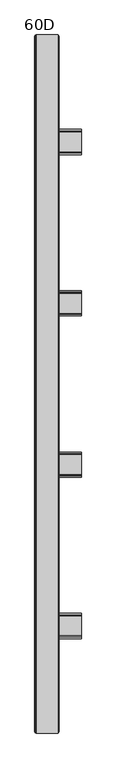
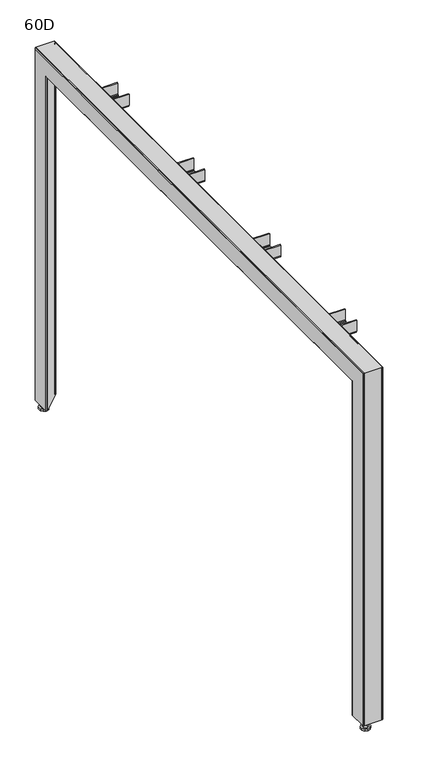
"""IFC4 building model written with IfcOpenShell, lengths in millimetres: furniture geometry, 60D."""

from ifc_helpers import new_model, si_unit, frame, origin, origin_with_axes, place, context, project, spatial, polyline, circle_curve, ellipse_curve, outline, extrude, faceted_brep, source, transform, mapped, element, save
from ifc_brep_helpers import plane_surface, revolved_surface, advanced_brep


def furniture_60d_963b81c6(model_context):
    return source(origin(), model_context, "Body", "SolidModel", [
        faceted_brep([(101.0542779, -497.4992625, 972.2678661), (101.0542779, -497.4992625, 1002.5178365), (101.0542779, -500.4992611, 1002.5178365), (101.0542779, -500.4992611, 972.2678661), (101.0542779, -501.3779502, 970.1464839), (101.0542779, -503.4992596, 969.2678312), (101.0542779, -546.4992512, 969.2678312), (101.0542779, -548.6205607, 970.1464839), (101.0542779, -549.4992498, 972.2678661), (101.0542779, -549.4992498, 1002.5178365), (101.0542779, -552.4992484, 1002.5178365), (101.0542779, -552.4992484, 972.2678661), (101.0542779, -550.7419065, 968.0251745), (101.0542779, -546.4992512, 966.2678689), (101.0542779, -503.4992596, 966.2678689), (101.0542779, -499.2566044, 968.0251745), (2.7542748, -497.4992625, 1010.2678722), (2.7542748, -497.4992625, 972.2678661), (2.7542748, -499.2566044, 968.0251745), (2.7542748, -503.4992596, 966.2678689), (2.7542748, -546.4992512, 966.2678689), (2.7542748, -550.7419065, 968.0251745), (2.7542748, -552.4992484, 972.2678661), (2.7542748, -552.4992484, 1010.2678722), (2.7542748, -549.4992498, 1010.2678722), (2.7542748, -549.4992498, 972.2678661), (2.7542748, -548.6205607, 970.1464839), (2.7542748, -546.4992512, 969.2678312), (2.7542748, -503.4992596, 969.2678312), (2.7542748, -501.3779502, 970.1464839), (2.7542748, -500.4992611, 972.2678661), (2.7542748, -500.4992611, 1010.2678722), (51.5542743, -497.4992625, 1010.2678722), (51.5542743, -497.4992625, 1002.5178365), (51.5542743, -552.4992484, 1002.5178365), (51.5542743, -552.4992484, 1010.2678722), (51.5542743, -549.4992498, 1010.2678722), (51.5542743, -549.4992498, 1002.5178365), (51.5542743, -500.4992611, 1002.5178365), (51.5542743, -500.4992611, 1010.2678722)], [[[0, 1, 2, 3, 4, 5, 6, 7, 8, 9, 10, 11, 12, 13, 14, 15]], [[16, 17, 18, 19, 20, 21, 22, 23, 24, 25, 26, 27, 28, 29, 30, 31]], [[16, 32, 33, 1, 0, 17]], [[15, 18, 17, 0]], [[14, 19, 18, 15]], [[13, 20, 19, 14]], [[12, 21, 20, 13]], [[11, 22, 21, 12]], [[22, 11, 10, 34, 35, 23]], [[23, 35, 36, 24]], [[24, 36, 37, 9, 8, 25]], [[7, 26, 25, 8]], [[6, 27, 26, 7]], [[5, 28, 27, 6]], [[4, 29, 28, 5]], [[3, 30, 29, 4]], [[30, 3, 2, 38, 39, 31]], [[31, 39, 32, 16]], [[34, 10, 9, 37]], [[38, 2, 1, 33]], [[33, 32, 39, 38]], [[37, 36, 35, 34]]]),
        faceted_brep([(101.0542779, 497.3092625, 972.2678661), (101.0542779, 499.0666044, 968.0251745), (101.0542779, 503.3092596, 966.2678689), (101.0542779, 546.3092512, 966.2678689), (101.0542779, 550.5519065, 968.0251745), (101.0542779, 552.3092484, 972.2678661), (101.0542779, 552.3092484, 1002.5178365), (101.0542779, 549.3092498, 1002.5178365), (101.0542779, 549.3092498, 972.2678661), (101.0542779, 548.4305607, 970.1464839), (101.0542779, 546.3092512, 969.2678312), (101.0542779, 503.3092596, 969.2678312), (101.0542779, 501.1879502, 970.1464839), (101.0542779, 500.3092611, 972.2678661), (101.0542779, 500.3092611, 1002.5178365), (101.0542779, 497.3092625, 1002.5178365), (2.7542748, 497.3092625, 1010.2678722), (2.7542748, 500.3092611, 1010.2678722), (2.7542748, 500.3092611, 972.2678661), (2.7542748, 501.1879502, 970.1464839), (2.7542748, 503.3092596, 969.2678312), (2.7542748, 546.3092512, 969.2678312), (2.7542748, 548.4305607, 970.1464839), (2.7542748, 549.3092498, 972.2678661), (2.7542748, 549.3092498, 1010.2678722), (2.7542748, 552.3092484, 1010.2678722), (2.7542748, 552.3092484, 972.2678661), (2.7542748, 550.5519065, 968.0251745), (2.7542748, 546.3092512, 966.2678689), (2.7542748, 503.3092596, 966.2678689), (2.7542748, 499.0666044, 968.0251745), (2.7542748, 497.3092625, 972.2678661), (51.5542743, 497.3092625, 1002.5178365), (51.5542743, 497.3092625, 1010.2678722), (51.5542743, 552.3092484, 1010.2678722), (51.5542743, 552.3092484, 1002.5178365), (51.5542743, 549.3092498, 1010.2678722), (51.5542743, 549.3092498, 1002.5178365), (51.5542743, 500.3092611, 1010.2678722), (51.5542743, 500.3092611, 1002.5178365)], [[[0, 1, 2, 3, 4, 5, 6, 7, 8, 9, 10, 11, 12, 13, 14, 15]], [[16, 17, 18, 19, 20, 21, 22, 23, 24, 25, 26, 27, 28, 29, 30, 31]], [[16, 31, 0, 15, 32, 33]], [[1, 0, 31, 30]], [[2, 1, 30, 29]], [[3, 2, 29, 28]], [[4, 3, 28, 27]], [[5, 4, 27, 26]], [[26, 25, 34, 35, 6, 5]], [[25, 24, 36, 34]], [[24, 23, 8, 7, 37, 36]], [[9, 8, 23, 22]], [[10, 9, 22, 21]], [[11, 10, 21, 20]], [[12, 11, 20, 19]], [[13, 12, 19, 18]], [[18, 17, 38, 39, 14, 13]], [[17, 16, 33, 38]], [[35, 37, 7, 6]], [[39, 32, 15, 14]], [[37, 35, 34, 36]], [[32, 39, 38, 33]]]),
        faceted_brep([(101.0542779, -147.6850235, 972.2678661), (101.0542779, -147.6850235, 1002.5178365), (101.0542779, -150.6850221, 1002.5178365), (101.0542779, -150.6850221, 972.2678661), (101.0542779, -151.5637112, 970.1464839), (101.0542779, -153.6850206, 969.2678312), (101.0542779, -196.6850122, 969.2678312), (101.0542779, -198.8063217, 970.1464839), (101.0542779, -199.6850108, 972.2678661), (101.0542779, -199.6850108, 1002.5178365), (101.0542779, -202.6850094, 1002.5178365), (101.0542779, -202.6850094, 972.2678661), (101.0542779, -200.9276675, 968.0251745), (101.0542779, -196.6850122, 966.2678689), (101.0542779, -153.6850206, 966.2678689), (101.0542779, -149.4423654, 968.0251745), (2.7542748, -147.6850235, 1010.2678722), (2.7542748, -147.6850235, 972.2678661), (2.7542748, -149.4423654, 968.0251745), (2.7542748, -153.6850206, 966.2678689), (2.7542748, -196.6850122, 966.2678689), (2.7542748, -200.9276675, 968.0251745), (2.7542748, -202.6850094, 972.2678661), (2.7542748, -202.6850094, 1010.2678722), (2.7542748, -199.6850108, 1010.2678722), (2.7542748, -199.6850108, 972.2678661), (2.7542748, -198.8063217, 970.1464839), (2.7542748, -196.6850122, 969.2678312), (2.7542748, -153.6850206, 969.2678312), (2.7542748, -151.5637112, 970.1464839), (2.7542748, -150.6850221, 972.2678661), (2.7542748, -150.6850221, 1010.2678722), (51.5542743, -147.6850235, 1010.2678722), (51.5542743, -147.6850235, 1002.5178365), (51.5542743, -202.6850094, 1002.5178365), (51.5542743, -202.6850094, 1010.2678722), (51.5542743, -199.6850108, 1010.2678722), (51.5542743, -199.6850108, 1002.5178365), (51.5542743, -150.6850221, 1002.5178365), (51.5542743, -150.6850221, 1010.2678722)], [[[0, 1, 2, 3, 4, 5, 6, 7, 8, 9, 10, 11, 12, 13, 14, 15]], [[16, 17, 18, 19, 20, 21, 22, 23, 24, 25, 26, 27, 28, 29, 30, 31]], [[16, 32, 33, 1, 0, 17]], [[15, 18, 17, 0]], [[14, 19, 18, 15]], [[13, 20, 19, 14]], [[12, 21, 20, 13]], [[11, 22, 21, 12]], [[22, 11, 10, 34, 35, 23]], [[23, 35, 36, 24]], [[24, 36, 37, 9, 8, 25]], [[7, 26, 25, 8]], [[6, 27, 26, 7]], [[5, 28, 27, 6]], [[4, 29, 28, 5]], [[3, 30, 29, 4]], [[30, 3, 2, 38, 39, 31]], [[31, 39, 32, 16]], [[34, 10, 9, 37]], [[38, 2, 1, 33]], [[33, 32, 39, 38]], [[37, 36, 35, 34]]]),
        faceted_brep([(101.0542779, 147.4950235, 972.2678661), (101.0542779, 149.2523654, 968.0251745), (101.0542779, 153.4950206, 966.2678689), (101.0542779, 196.4950122, 966.2678689), (101.0542779, 200.7376675, 968.0251745), (101.0542779, 202.4950094, 972.2678661), (101.0542779, 202.4950094, 1002.5178365), (101.0542779, 199.4950108, 1002.5178365), (101.0542779, 199.4950108, 972.2678661), (101.0542779, 198.6163217, 970.1464839), (101.0542779, 196.4950122, 969.2678312), (101.0542779, 153.4950206, 969.2678312), (101.0542779, 151.3737112, 970.1464839), (101.0542779, 150.4950221, 972.2678661), (101.0542779, 150.4950221, 1002.5178365), (101.0542779, 147.4950235, 1002.5178365), (2.7542748, 147.4950235, 1010.2678722), (2.7542748, 150.4950221, 1010.2678722), (2.7542748, 150.4950221, 972.2678661), (2.7542748, 151.3737112, 970.1464839), (2.7542748, 153.4950206, 969.2678312), (2.7542748, 196.4950122, 969.2678312), (2.7542748, 198.6163217, 970.1464839), (2.7542748, 199.4950108, 972.2678661), (2.7542748, 199.4950108, 1010.2678722), (2.7542748, 202.4950094, 1010.2678722), (2.7542748, 202.4950094, 972.2678661), (2.7542748, 200.7376675, 968.0251745), (2.7542748, 196.4950122, 966.2678689), (2.7542748, 153.4950206, 966.2678689), (2.7542748, 149.2523654, 968.0251745), (2.7542748, 147.4950235, 972.2678661), (51.5542743, 147.4950235, 1002.5178365), (51.5542743, 147.4950235, 1010.2678722), (51.5542743, 202.4950094, 1010.2678722), (51.5542743, 202.4950094, 1002.5178365), (51.5542743, 199.4950108, 1010.2678722), (51.5542743, 199.4950108, 1002.5178365), (51.5542743, 150.4950221, 1010.2678722), (51.5542743, 150.4950221, 1002.5178365)], [[[0, 1, 2, 3, 4, 5, 6, 7, 8, 9, 10, 11, 12, 13, 14, 15]], [[16, 17, 18, 19, 20, 21, 22, 23, 24, 25, 26, 27, 28, 29, 30, 31]], [[16, 31, 0, 15, 32, 33]], [[1, 0, 31, 30]], [[2, 1, 30, 29]], [[3, 2, 29, 28]], [[4, 3, 28, 27]], [[5, 4, 27, 26]], [[26, 25, 34, 35, 6, 5]], [[25, 24, 36, 34]], [[24, 23, 8, 7, 37, 36]], [[9, 8, 23, 22]], [[10, 9, 22, 21]], [[11, 10, 21, 20]], [[12, 11, 20, 19]], [[13, 12, 19, 18]], [[18, 17, 38, 39, 14, 13]], [[17, 16, 33, 38]], [[35, 37, 7, 6]], [[39, 32, 15, 14]], [[37, 35, 34, 36]], [[32, 39, 38, 33]]]),
        extrude(outline(polyline([(14.8468925, -746.2721484), (11.4098541, -744.2877764), (11.4098541, -740.3190234), (14.8468925, -738.3346514), (18.2839309, -740.3190234), (18.2839309, -744.2877764), (14.8468925, -746.2721484)])), frame((0.0, 0.0, 10.9000001), z_axis=(0.0, 0.0, 1.0), x_axis=(1.0, 0.0, 0.0)), (0.0, 0.0, 1.0), 62.0000015),
        extrude(outline(polyline([(14.8468925, -750.2433994), (7.9706509, -746.2733974), (7.9706509, -738.3333979), (14.8468925, -734.3634004), (21.723134, -738.3333979), (21.723134, -746.2733974), (14.8468925, -750.2433994)])), frame((0.0, 0.0, 5.7200003), z_axis=(0.0, 0.0, 1.0), x_axis=(1.0, 0.0, 0.0)), (0.0, 0.0, 1.0), 5.1799998),
        extrude(outline(polyline([(7.6072397, -752.2679261), (3.1328886, -746.1095084), (3.1328886, -738.4972868), (7.6072397, -732.3388737), (14.8468925, -729.986569), (22.0865453, -732.3388737), (26.5608963, -738.4972868), (26.5608963, -746.1095084), (22.0865453, -752.2679261), (14.8468925, -754.620233), (7.6072397, -752.2679261)])), origin_with_axes(), (0.0, 0.0, 1.0), 5.7200003),
        extrude(outline(polyline([(14.8468925, 746.0821484), (18.2839309, 744.0977764), (18.2839309, 740.1290234), (14.8468925, 738.1446514), (11.4098541, 740.1290234), (11.4098541, 744.0977764), (14.8468925, 746.0821484)])), frame((0.0, 0.0, 10.9000001), z_axis=(0.0, 0.0, 1.0), x_axis=(1.0, 0.0, 0.0)), (0.0, 0.0, 1.0), 62.0000015),
        extrude(outline(polyline([(14.8468925, 750.0533994), (21.723134, 746.0833974), (21.723134, 738.1433979), (14.8468925, 734.1734004), (7.9706509, 738.1433979), (7.9706509, 746.0833974), (14.8468925, 750.0533994)])), frame((0.0, 0.0, 5.7200003), z_axis=(0.0, 0.0, 1.0), x_axis=(1.0, 0.0, 0.0)), (0.0, 0.0, 1.0), 5.1799998),
        extrude(outline(polyline([(7.6072397, 752.0779261), (14.8468925, 754.430233), (22.0865453, 752.0779261), (26.5608963, 745.9195084), (26.5608963, 738.3072868), (22.0865453, 732.1488737), (14.8468925, 729.796569), (7.6072397, 732.1488737), (3.1328886, 738.3072868), (3.1328886, 745.9195084), (7.6072397, 752.0779261)])), origin_with_axes(), (0.0, 0.0, 1.0), 5.7200003),
        advanced_brep(
        [(52.2091904, 752.2158337, 20.2920801), (4.6091883, 704.6158321, 20.2920801), (2.7, 703.825001, 20.2920801), (0.7908116, 704.6158321, 20.2920801), (0.0, 706.5250179, 20.2920801), (0.0, 754.1250195, 20.2920801), (0.7908116, 756.0342052, 20.2920801), (2.7, 756.825, 20.2920801), (50.3000001, 756.825, 20.2920801), (52.2091904, 756.0342052, 20.2920801), (52.9999988, 754.1250195, 20.2920801), (3.7071069, 706.5321033, 20.2920801), (50.2928863, 753.1179167, 20.2920801), (49.5857835, 754.8250131, 20.2920801), (3.0000115, 754.8250131, 20.2920801), (1.9999999, 753.8250014, 20.2920801), (1.9999999, 707.2392098, 20.2920801), (52.2091904, 752.2158337, 1007.6586564), (4.6091883, 704.6158321, 960.0586549), (2.7, 703.825001, 959.2678238), (0.7908116, 704.6158321, 960.0586549), (0.0, 706.5250179, 961.9678407), (0.0, -706.7150179, 961.9678407), (0.0, -706.7150179, 20.2920801), (0.0, -754.3150195, 20.2920801), (0.0, -754.3150195, 1009.5678422), (0.0, 754.1250195, 1009.5678422), (0.7908116, 756.0342052, 1011.477028), (2.7, 756.825, 1012.2678228), (50.3000001, 756.825, 1012.2678228), (52.2091904, 756.0342052, 1011.477028), (52.9999988, 754.1250195, 1009.5678422), (3.7071069, 706.5321033, 961.974926), (50.2928863, 753.1179167, 1008.5607395), (49.5857835, 754.8250131, 1010.2678358), (3.0000115, 754.8250131, 1010.2678358), (1.9999999, 753.8250014, 1009.2678242), (1.9999999, -754.0150014, 1009.2678242), (1.9999999, -754.0150014, 20.2920801), (1.9999999, -707.4292098, 20.2920801), (1.9999999, -707.4292098, 962.6820325), (1.9999999, 707.2392098, 962.6820325), (52.2091904, -752.4058337, 1007.6586564), (4.6091883, -704.8058321, 960.0586549), (2.7, -704.015001, 959.2678238), (0.7908116, -704.8058321, 960.0586549), (0.7908116, -756.2242052, 1011.477028), (2.7, -757.015, 1012.2678228), (50.3000001, -757.015, 1012.2678228), (52.2091904, -756.2242052, 1011.477028), (52.9999988, -754.3150195, 1009.5678422), (3.7071069, -706.7221033, 961.974926), (50.2928863, -753.3079167, 1008.5607395), (49.5857835, -755.0150131, 1010.2678358), (3.0000115, -755.0150131, 1010.2678358), (52.2091904, -752.4058337, 20.2920801), (52.9999988, -754.3150195, 20.2920801), (52.2091904, -756.2242052, 20.2920801), (50.3000001, -757.015, 20.2920801), (2.7, -757.015, 20.2920801), (0.7908116, -756.2242052, 20.2920801), (0.7908116, -704.8058321, 20.2920801), (2.7, -704.015001, 20.2920801), (4.6091883, -704.8058321, 20.2920801), (3.7071069, -706.7221033, 20.2920801), (3.0000115, -755.0150131, 20.2920801), (49.5857835, -755.0150131, 20.2920801), (50.2928863, -753.3079167, 20.2920801)],
        [
            (0, 1),
            (1, 2),
            (2, 3),
            (3, 4),
            (4, 5),
            (5, 6),
            (6, 7),
            (7, 8),
            (8, 9),
            (9, 10),
            (10, 0),
            (11, 12),
            (12, 13, circle_curve(frame((49.5857835, 753.825019, 20.2920801), z_axis=(0.0, 0.0, 1.0), x_axis=(0.0, -1.0, 0.0)), 0.999994)),
            (13, 14),
            (14, 15, circle_curve(frame((3.0000115, 753.8250014, 20.2920801), z_axis=(0.0, 0.0, 1.0), x_axis=(0.0, -1.0, 0.0)), 1.0000116)),
            (15, 16),
            (16, 11, circle_curve(frame((2.9999998, 707.2392098, 20.2920801), z_axis=(0.0, 0.0, 1.0), x_axis=(0.0, -1.0, 0.0)), 1.0)),
            (0, 17),
            (17, 18),
            (18, 1),
            (18, 19),
            (19, 2),
            (19, 20),
            (20, 3),
            (20, 21),
            (21, 4),
            (21, 22),
            (22, 23),
            (23, 24),
            (24, 25),
            (25, 26),
            (26, 5),
            (26, 27),
            (27, 6),
            (27, 28),
            (28, 7),
            (28, 29),
            (29, 8),
            (29, 30),
            (30, 9),
            (30, 31),
            (31, 10),
            (31, 17),
            (11, 32),
            (32, 33),
            (33, 12),
            (33, 34, ellipse_curve(frame((49.5857835, 753.825019, 1009.2678418), z_axis=(0.0, -0.7071067811865475, 0.7071067811865475), x_axis=(0.0, 0.7071067811865474, 0.7071067811865476)), 1.4142051, 0.999994)),
            (34, 13),
            (34, 35),
            (35, 14),
            (35, 36, ellipse_curve(frame((3.0000115, 753.8250014, 1009.2678242), z_axis=(0.0, -0.7071067811865475, 0.7071067811865475), x_axis=(0.0, 0.7071067811865474, 0.7071067811865476)), 1.41423, 1.0000116)),
            (36, 15),
            (36, 37),
            (37, 38),
            (38, 39),
            (39, 40),
            (40, 41),
            (41, 16),
            (41, 32, ellipse_curve(frame((2.9999998, 707.2392098, 962.6820325), z_axis=(0.0, -0.7071067811865475, 0.7071067811865475), x_axis=(0.0, 0.7071067811865474, 0.7071067811865476)), 1.4142136, 1.0)),
            (17, 42),
            (42, 43),
            (43, 18),
            (43, 44),
            (44, 19),
            (44, 45),
            (45, 20),
            (45, 22),
            (25, 46),
            (46, 27),
            (46, 47),
            (47, 28),
            (47, 48),
            (48, 29),
            (48, 49),
            (49, 30),
            (49, 50),
            (50, 31),
            (50, 42),
            (32, 51),
            (51, 52),
            (52, 33),
            (52, 53, ellipse_curve(frame((49.5857835, -754.015019, 1009.2678418), z_axis=(0.0, -0.7071067811865475, -0.7071067811865475), x_axis=(0.0, -0.7071067811865476, 0.7071067811865474)), 1.4142051, 0.999994)),
            (53, 34),
            (53, 54),
            (54, 35),
            (54, 37, ellipse_curve(frame((3.0000115, -754.0150014, 1009.2678242), z_axis=(0.0, -0.7071067811865475, -0.7071067811865475), x_axis=(0.0, -0.7071067811865476, 0.7071067811865474)), 1.41423, 1.0000116)),
            (40, 51, ellipse_curve(frame((2.9999998, -707.4292098, 962.6820325), z_axis=(0.0, -0.7071067811865475, -0.7071067811865475), x_axis=(0.0, -0.7071067811865476, 0.7071067811865474)), 1.4142136, 1.0)),
            (55, 56),
            (56, 57),
            (57, 58),
            (58, 59),
            (59, 60),
            (60, 24),
            (23, 61),
            (61, 62),
            (62, 63),
            (63, 55),
            (64, 39, circle_curve(frame((2.9999998, -707.4292098, 20.2920801), z_axis=(0.0, 0.0, 1.0), x_axis=(0.0, 1.0, 0.0)), 1.0)),
            (38, 65, circle_curve(frame((3.0000115, -754.0150014, 20.2920801), z_axis=(0.0, 0.0, 1.0), x_axis=(0.0, 1.0, 0.0)), 1.0000116)),
            (65, 66),
            (66, 67, circle_curve(frame((49.5857835, -754.015019, 20.2920801), z_axis=(0.0, 0.0, 1.0), x_axis=(0.0, 1.0, 0.0)), 0.999994)),
            (67, 64),
            (42, 55),
            (63, 43),
            (62, 44),
            (61, 45),
            (60, 46),
            (59, 47),
            (58, 48),
            (57, 49),
            (56, 50),
            (51, 64),
            (67, 52),
            (66, 53),
            (65, 54),
        ],
        [
            plane_surface(frame((0.0, 756.825, 20.2920801), z_axis=(0.0, 0.0, -1.0), x_axis=(1.0, 0.0, 0.0))),
            plane_surface(frame((52.2091904, 752.2158337, 20.2920801), z_axis=(0.7071067769696533, -0.7071067854034419, 0.0), x_axis=(0.0, 0.0, 1.0))),
            plane_surface(frame((4.6091883, 704.6158321, 20.2920801), z_axis=(0.38269143839512826, -0.9238762162644234, 0.0), x_axis=(0.0, 0.0, 1.0))),
            plane_surface(frame((2.7, 703.825001, 20.2920801), z_axis=(-0.38269143839463615, -0.9238762162646273, 0.0), x_axis=(0.0, 0.0, 1.0))),
            plane_surface(frame((0.7908116, 704.6158321, 20.2920801), z_axis=(-0.9238793620393418, -0.38268384392051213, 0.0), x_axis=(0.0, 0.0, 1.0))),
            plane_surface(frame((0.0, 706.5250179, 20.2920801), z_axis=(-1.0, 0.0, 0.0), x_axis=(0.0, 0.0, 1.0))),
            plane_surface(frame((0.0, 754.1250195, 20.2920801), z_axis=(-0.9238793620393525, 0.3826838439204862, 0.0), x_axis=(0.0, 0.0, 1.0))),
            plane_surface(frame((0.7908116, 756.0342052, 20.2920801), z_axis=(-0.38267643042189775, 0.9238824327800342, 0.0), x_axis=(0.0, 0.0, 1.0))),
            plane_surface(frame((2.7, 756.825, 20.2920801), z_axis=(0.0, 1.0, 0.0), x_axis=(0.0, 0.0, 1.0))),
            plane_surface(frame((50.3000001, 756.825, 20.2920801), z_axis=(0.38267609046086565, 0.9238825735934126, 0.0), x_axis=(0.0, 0.0, 1.0))),
            plane_surface(frame((52.2091904, 756.0342052, 20.2920801), z_axis=(0.9238799205543341, 0.3826824955449586, 0.0), x_axis=(0.0, 0.0, 1.0))),
            plane_surface(frame((52.9999988, 754.1250195, 20.2920801), z_axis=(0.9238799205543387, -0.38268249554494776, 0.0), x_axis=(0.0, 0.0, 1.0))),
            plane_surface(frame((3.7071069, 706.5321033, 20.2920801), z_axis=(-0.7071070397086551, 0.7071065226643456, 0.0), x_axis=(0.0, 0.0, 1.0))),
            revolved_surface(polyline([(49.5857835, 752.825025, 1010.2678358161986), (49.5857835, 752.825025, 20.2920801)]), (49.5857835, 753.825019, 20.2920801), (0.0, 0.0, 1.0)),
            plane_surface(frame((49.5857835, 754.8250131, 20.2920801), z_axis=(0.0, -1.0, 0.0), x_axis=(0.0, 0.0, 1.0))),
            revolved_surface(polyline([(3.0000115, 752.8249898, 1010.2678358231574), (3.0000115, 752.8249898, 20.2920801)]), (3.0000115, 753.8250014, 20.2920801), (0.0, 0.0, 1.0)),
            plane_surface(frame((1.9999999, 753.8250014, 20.2920801), z_axis=(1.0, 0.0, 0.0), x_axis=(0.0, 0.0, 1.0))),
            revolved_surface(polyline([(2.9999998, 706.2392098, 963.6820325266062), (2.9999998, 706.2392098, 20.2920801)]), (2.9999998, 707.2392098, 20.2920801), (0.0, 0.0, 1.0)),
            plane_surface(frame((52.2091904, 752.2158337, 1007.6586564), z_axis=(0.7071067769696461, 0.0, -0.7071067854034491), x_axis=(0.0, -1.0, 0.0))),
            plane_surface(frame((4.6091883, 704.6158321, 960.0586549), z_axis=(0.3826914383951188, 0.0, -0.9238762162644274), x_axis=(0.0, -1.0, 0.0))),
            plane_surface(frame((2.7, 703.825001, 959.2678238), z_axis=(-0.38269143839464564, 0.0, -0.9238762162646235), x_axis=(0.0, -1.0, 0.0))),
            plane_surface(frame((0.7908116, 704.6158321, 960.0586549), z_axis=(-0.9238793620393457, 0.0, -0.38268384392050264), x_axis=(0.0, -1.0, 0.0))),
            plane_surface(frame((0.0, 754.1250195, 1009.5678422), z_axis=(-0.9238793620393486, 0.0, 0.3826838439204957), x_axis=(0.0, -1.0, 0.0))),
            plane_surface(frame((0.7908116, 756.0342052, 1011.477028), z_axis=(-0.38267643042188826, 0.0, 0.9238824327800381), x_axis=(0.0, -1.0, 0.0))),
            plane_surface(frame((2.7, 756.825, 1012.2678228), z_axis=(0.0, 0.0, 1.0), x_axis=(0.0, -1.0, 0.0))),
            plane_surface(frame((50.3000001, 756.825, 1012.2678228), z_axis=(0.38267609046087514, 0.0, 0.9238825735934088), x_axis=(0.0, -1.0, 0.0))),
            plane_surface(frame((52.2091904, 756.0342052, 1011.477028), z_axis=(0.9238799205543381, 0.0, 0.38268249554494915), x_axis=(0.0, -1.0, 0.0))),
            plane_surface(frame((52.9999988, 754.1250195, 1009.5678422), z_axis=(0.9238799205543348, 0.0, -0.38268249554495726), x_axis=(0.0, -1.0, 0.0))),
            plane_surface(frame((3.7071069, 706.5321033, 961.974926), z_axis=(-0.7071070397086479, 0.0, 0.7071065226643528), x_axis=(0.0, -1.0, 0.0))),
            revolved_surface(polyline([(49.5857835, -755.0150131, 1008.2678478), (49.5857835, 754.8250131, 1008.2678478)]), (49.5857835, 756.825, 1009.2678418), (0.0, -1.0, 0.0)),
            plane_surface(frame((49.5857835, 754.8250131, 1010.2678358), z_axis=(0.0, 0.0, -1.0), x_axis=(0.0, -1.0, 0.0))),
            revolved_surface(polyline([(3.0000115, -755.0150131, 1008.2678126), (3.0000115, 754.8250131, 1008.2678126)]), (3.0000115, 756.825, 1009.2678242), (0.0, -1.0, 0.0)),
            revolved_surface(polyline([(2.9999998, -708.429209826606, 961.6820325), (2.9999998, 708.2392098266063, 961.6820325)]), (2.9999998, 756.825, 962.6820325), (0.0, -1.0, 0.0)),
            plane_surface(frame((0.0, -757.015, 20.2920801), z_axis=(0.0, 0.0, -1.0), x_axis=(1.0, 0.0, 0.0))),
            plane_surface(frame((52.2091904, -752.4058337, 1007.6586564), z_axis=(0.7071067769696533, 0.7071067854034419, 0.0), x_axis=(0.0, 0.0, -1.0))),
            plane_surface(frame((4.6091883, -704.8058321, 960.0586549), z_axis=(0.3826914383951283, 0.9238762162644235, 0.0), x_axis=(0.0, 0.0, -1.0))),
            plane_surface(frame((2.7, -704.015001, 959.2678238), z_axis=(-0.38269143839463615, 0.9238762162646273, 0.0), x_axis=(0.0, 0.0, -1.0))),
            plane_surface(frame((0.7908116, -704.8058321, 960.0586549), z_axis=(-0.9238793620393418, 0.38268384392051213, 0.0), x_axis=(0.0, 0.0, -1.0))),
            plane_surface(frame((0.0, -754.3150195, 1009.5678422), z_axis=(-0.9238793620393525, -0.3826838439204862, 0.0), x_axis=(0.0, 0.0, -1.0))),
            plane_surface(frame((0.7908116, -756.2242052, 1011.477028), z_axis=(-0.38267643042189775, -0.9238824327800342, 0.0), x_axis=(0.0, 0.0, -1.0))),
            plane_surface(frame((2.7, -757.015, 1012.2678228), z_axis=(0.0, -1.0, 0.0), x_axis=(0.0, 0.0, -1.0))),
            plane_surface(frame((50.3000001, -757.015, 1012.2678228), z_axis=(0.38267609046086565, -0.9238825735934126, 0.0), x_axis=(0.0, 0.0, -1.0))),
            plane_surface(frame((52.2091904, -756.2242052, 1011.477028), z_axis=(0.9238799205543342, -0.38268249554495865, 0.0), x_axis=(0.0, 0.0, -1.0))),
            plane_surface(frame((52.9999988, -754.3150195, 1009.5678422), z_axis=(0.9238799205543387, 0.38268249554494776, 0.0), x_axis=(0.0, 0.0, -1.0))),
            plane_surface(frame((3.7071069, -706.7221033, 961.974926), z_axis=(-0.7071070397086551, -0.7071065226643456, 0.0), x_axis=(0.0, 0.0, -1.0))),
            revolved_surface(polyline([(49.5857835, -753.015025, 20.29208010000002), (49.5857835, -753.015025, 1010.2678358161986)]), (49.5857835, -754.015019, 1012.2678228), (0.0, 0.0, -1.0)),
            plane_surface(frame((49.5857835, -755.0150131, 1010.2678358), z_axis=(0.0, 1.0, 0.0), x_axis=(0.0, 0.0, -1.0))),
            revolved_surface(polyline([(3.0000115, -753.0149898, 20.29208010000002), (3.0000115, -753.0149898, 1010.2678358231574)]), (3.0000115, -754.0150014, 1012.2678228), (0.0, 0.0, -1.0)),
            revolved_surface(polyline([(2.9999998, -706.4292098, 20.29208010000002), (2.9999998, -706.4292098, 963.6820325266062)]), (2.9999998, -707.4292098, 1012.2678228), (0.0, 0.0, -1.0)),
        ],
        [
            (0, [[1, 2, 3, 4, 5, 6, 7, 8, 9, 10, 11], [12, 13, 14, 15, 16, 17]]),
            (1, [[-1, 18, 19, 20]]),
            (2, [[-2, -20, 21, 22]]),
            (3, [[-3, -22, 23, 24]]),
            (4, [[-4, -24, 25, 26]]),
            (5, [[-5, -26, 27, 28, 29, 30, 31, 32]]),
            (6, [[-6, -32, 33, 34]]),
            (7, [[-7, -34, 35, 36]]),
            (8, [[-8, -36, 37, 38]]),
            (9, [[-9, -38, 39, 40]]),
            (10, [[-10, -40, 41, 42]]),
            (11, [[-11, -42, 43, -18]]),
            (12, [[-12, 44, 45, 46]]),
            (13, [[-13, -46, 47, 48]]),
            (14, [[-14, -48, 49, 50]]),
            (15, [[-15, -50, 51, 52]]),
            (16, [[-16, -52, 53, 54, 55, 56, 57, 58]]),
            (17, [[-17, -58, 59, -44]]),
            (18, [[-19, 60, 61, 62]]),
            (19, [[-21, -62, 63, 64]]),
            (20, [[-23, -64, 65, 66]]),
            (21, [[-25, -66, 67, -27]]),
            (22, [[-33, -31, 68, 69]]),
            (23, [[-35, -69, 70, 71]]),
            (24, [[-37, -71, 72, 73]]),
            (25, [[-39, -73, 74, 75]]),
            (26, [[-41, -75, 76, 77]]),
            (27, [[-43, -77, 78, -60]]),
            (28, [[-45, 79, 80, 81]]),
            (29, [[-47, -81, 82, 83]]),
            (30, [[-49, -83, 84, 85]]),
            (31, [[-51, -85, 86, -53]]),
            (32, [[-59, -57, 87, -79]]),
            (33, [[88, 89, 90, 91, 92, 93, -29, 94, 95, 96, 97], [98, -55, 99, 100, 101, 102]]),
            (34, [[-61, 103, -97, 104]]),
            (35, [[-63, -104, -96, 105]]),
            (36, [[-65, -105, -95, 106]]),
            (37, [[-67, -106, -94, -28]]),
            (38, [[-68, -30, -93, 107]]),
            (39, [[-70, -107, -92, 108]]),
            (40, [[-72, -108, -91, 109]]),
            (41, [[-74, -109, -90, 110]]),
            (42, [[-76, -110, -89, 111]]),
            (43, [[-78, -111, -88, -103]]),
            (44, [[-80, 112, -102, 113]]),
            (45, [[-82, -113, -101, 114]]),
            (46, [[-84, -114, -100, 115]]),
            (47, [[-86, -115, -99, -54]]),
            (48, [[-87, -56, -98, -112]]),
        ],
    ),
    ])


if __name__ == "__main__":
    model = new_model("IFC4")
    model_context = context("Model", 3, world=origin())
    ifc_project = project(units=[si_unit("LENGTHUNIT", "METRE", prefix="MILLI")], contexts=[model_context])
    site = spatial("IfcSite", under=ifc_project)
    building = spatial("IfcBuilding", under=site)
    placement = place(None, origin())
    furniture_60d_shape = furniture_60d_963b81c6(model_context)
    element("IfcFurniture", 1, ObjectType="60D", at=placement, inside=building, context=model_context, shape_type="MappedRepresentation", body=[
        mapped(furniture_60d_shape, transform((0.0, 0.0, 0.0), x_axis=(1.0, 0.0, 0.0), y_axis=(0.0, 1.0, 0.0), z_axis=(0.0, 0.0, 1.0))),
    ])
    save(model, "model.ifc")
